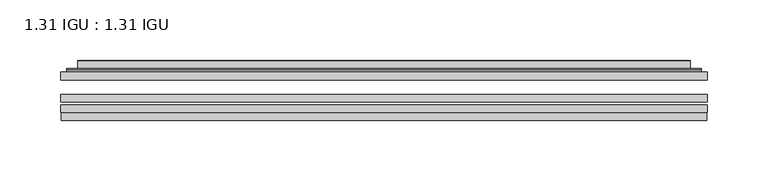
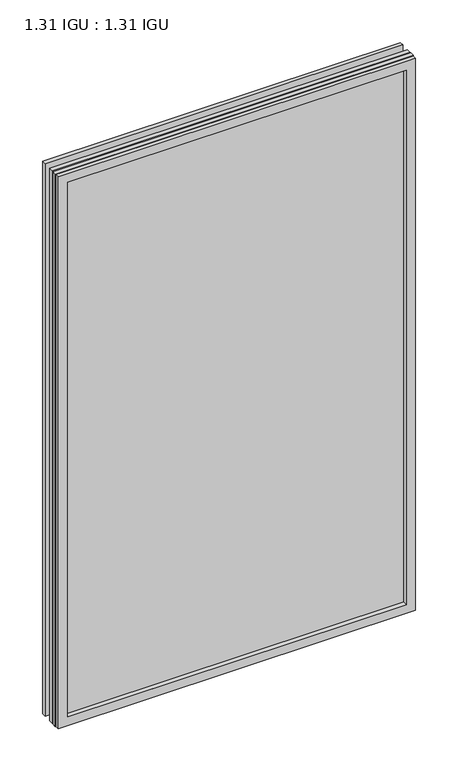
"""IFC4 building model written with IfcOpenShell, lengths in millimetres: plate geometry, 1.31 IGU : 1.31 IGU."""

from ifc_helpers import new_model, si_unit, frame, origin, place, context, project, spatial, polyline, ellipse_curve, outline, extrude, faceted_brep, source, transform, mapped, element, save
from ifc_brep_helpers import plane_surface, cylinder_surface, advanced_brep


def plate_1_31_igu_1_31_igu_b15773dc(model_context):
    return source(origin(), model_context, "Body", "SolidModel", [
        extrude(outline(polyline([(266.7140393, -63.59525), (266.7140393, -69.94525), (-266.6998644, -69.94525), (-266.6998644, -63.59525), (266.7140393, -63.59525)])), frame((0.0, 0.0, -14.2875), z_axis=(0.0, 0.0, 1.0), x_axis=(1.0, 0.0, 0.0)), (0.0, 0.0, 1.0), 869.9537979),
        extrude(outline(polyline([(-266.6998644, -78.58125), (-266.6998644, -72.230745), (266.7140393, -72.230745), (266.7140393, -78.58125), (-266.6998644, -78.58125)])), frame((0.0, 0.0, -14.2875), z_axis=(0.0, 0.0, 1.0), x_axis=(1.0, 0.0, 0.0)), (0.0, 0.0, 1.0), 869.9537979),
        extrude(outline(polyline([(266.7140393, -45.25645), (266.7140393, -51.60645), (-266.6998644, -51.60645), (-266.6998644, -45.25645), (266.7140393, -45.25645)])), frame((0.0, 0.0, -14.2875), z_axis=(0.0, 0.0, 1.0), x_axis=(1.0, 0.0, 0.0)), (0.0, 0.0, 1.0), 869.9537979),
        faceted_brep([(-265.9996786, -84.93125, 854.9623142), (-265.9996786, -78.58125, 854.9623142), (-265.9996786, -78.58125, -13.5873142), (-265.9996786, -84.93125, -13.5873142), (265.9996786, -78.58125, -13.5873142), (265.9996786, -84.93125, -13.5873142), (265.9996786, -78.58125, 854.9623142), (265.9996786, -84.93125, 854.9623142), (-251.5146202, -78.58125, 0.8977441), (251.5146202, -78.58125, 0.8977441), (251.5146202, -78.58125, 840.4772559), (-251.5146202, -78.58125, 840.4772559), (-252.4070545, -84.93125, 841.3696902), (252.4070545, -84.93125, 841.3696902), (252.4070545, -84.93125, 0.0053098), (-252.4070545, -84.93125, 0.0053098)], [[[0, 1, 2, 3]], [[3, 2, 4, 5]], [[5, 4, 6, 7]], [[1, 6, 4, 2], [8, 9, 10, 11]], [[7, 6, 1, 0]], [[3, 5, 7, 0], [12, 13, 14, 15]], [[11, 12, 15, 8]], [[8, 15, 14, 9]], [[9, 14, 13, 10]], [[10, 13, 12, 11]]]),
        advanced_brep(
        [(-259.4585834, -45.25645, 848.4212191), (-261.8127888, -43.2667833, 850.7754244), (-261.8127888, -43.2667833, -9.4004244), (-259.4585834, -45.25645, -7.046219), (-250.3842583, -41.416413, 839.3468939), (-245.4494264, -45.25645, 834.4120621), (-245.4494264, -45.25645, 6.9629379), (-250.3842583, -41.416413, 2.0281061), (-251.416286, -36.0191819, 840.3789217), (-251.416286, -36.0191819, 0.9960783), (-252.4069428, -35.6202069, 841.3695784), (-252.4069428, -35.6202069, 0.0054216), (-252.4069428, -42.08145, 841.3695784), (-252.4069428, -42.08145, 0.0054216), (-260.8109992, -42.08145, 849.7736349), (-260.8109992, -42.08145, -8.3986349), (261.8127888, -43.2667833, -9.4004244), (259.4585834, -45.25645, -7.046219), (245.4494264, -45.25645, 6.9629379), (250.3842583, -41.416413, 2.0281061), (251.416286, -36.0191819, 0.9960783), (252.4069428, -35.6202069, 0.0054216), (252.4069428, -42.08145, 0.0054216), (260.8109992, -42.08145, -8.3986349), (261.8127888, -43.2667833, 850.7754244), (259.4585834, -45.25645, 848.4212191), (245.4494264, -45.25645, 834.4120621), (250.3842583, -41.416413, 839.3468939), (251.416286, -36.0191819, 840.3789217), (252.4069428, -35.6202069, 841.3695784), (252.4069428, -42.08145, 841.3695784), (260.8109992, -42.08145, 849.7736349)],
        [
            (0, 1, ellipse_curve(frame((-259.4585834, -42.86885, 848.4212191), z_axis=(-0.7071067811865475, 0.0, -0.7071067811865475), x_axis=(-0.7071067811865474, 0.0, 0.7071067811865476)), 3.3765763, 2.3876)),
            (1, 2),
            (2, 3, ellipse_curve(frame((-259.4585834, -42.86885, -7.046219), z_axis=(-0.7071067811865475, 0.0, 0.7071067811865475), x_axis=(0.7071067811865474, 0.0, 0.7071067811865476)), 3.3765763, 2.3876)),
            (3, 0),
            (4, 5),
            (5, 6),
            (6, 7),
            (7, 4),
            (8, 4),
            (7, 9),
            (9, 8),
            (10, 8, ellipse_curve(frame((-252.0399862, -36.1384423, 841.0026219), z_axis=(-0.7071067811865475, 0.0, -0.7071067811865475), x_axis=(-0.7071067811865474, 0.0, 0.7071067811865476)), 0.8980256, 0.635)),
            (9, 11, ellipse_curve(frame((-252.0399862, -36.1384423, 0.3723781), z_axis=(-0.7071067811865475, 0.0, 0.7071067811865475), x_axis=(0.7071067811865474, 0.0, 0.7071067811865476)), 0.8980256, 0.635)),
            (11, 10),
            (12, 10),
            (11, 13),
            (13, 12),
            (1, 14, ellipse_curve(frame((-260.8109992, -43.09745, 849.7736349), z_axis=(-0.7071067811865475, 0.0, -0.7071067811865475), x_axis=(-0.7071067811865474, 0.0, 0.7071067811865476)), 1.436841, 1.016)),
            (14, 15),
            (15, 2, ellipse_curve(frame((-260.8109992, -43.09745, -8.3986349), z_axis=(-0.7071067811865475, 0.0, 0.7071067811865475), x_axis=(0.7071067811865474, 0.0, 0.7071067811865476)), 1.436841, 1.016)),
            (2, 16),
            (16, 17, ellipse_curve(frame((259.4585834, -42.86885, -7.046219), z_axis=(-0.7071067811865475, 0.0, -0.7071067811865475), x_axis=(-0.7071067811865476, 0.0, 0.7071067811865474)), 3.3765763, 2.3876)),
            (17, 3),
            (6, 18),
            (18, 19),
            (19, 7),
            (19, 20),
            (20, 9),
            (20, 21, ellipse_curve(frame((252.0399862, -36.1384423, 0.3723781), z_axis=(-0.7071067811865475, 0.0, -0.7071067811865475), x_axis=(-0.7071067811865476, 0.0, 0.7071067811865474)), 0.8980256, 0.635)),
            (21, 11),
            (21, 22),
            (22, 13),
            (15, 23),
            (23, 16, ellipse_curve(frame((260.8109992, -43.09745, -8.3986349), z_axis=(-0.7071067811865475, 0.0, -0.7071067811865475), x_axis=(-0.7071067811865476, 0.0, 0.7071067811865474)), 1.436841, 1.016)),
            (16, 24),
            (24, 25, ellipse_curve(frame((259.4585834, -42.86885, 848.4212191), z_axis=(0.7071067811865475, 0.0, -0.7071067811865475), x_axis=(-0.7071067811865474, 0.0, -0.7071067811865476)), 3.3765763, 2.3876)),
            (25, 17),
            (18, 26),
            (26, 27),
            (27, 19),
            (27, 28),
            (28, 20),
            (28, 29, ellipse_curve(frame((252.0399862, -36.1384423, 841.0026219), z_axis=(0.7071067811865475, 0.0, -0.7071067811865475), x_axis=(-0.7071067811865474, 0.0, -0.7071067811865476)), 0.8980256, 0.635)),
            (29, 21),
            (29, 30),
            (30, 22),
            (23, 31),
            (31, 24, ellipse_curve(frame((260.8109992, -43.09745, 849.7736349), z_axis=(0.7071067811865475, 0.0, -0.7071067811865475), x_axis=(-0.7071067811865474, 0.0, -0.7071067811865476)), 1.436841, 1.016)),
            (24, 1),
            (0, 25),
            (5, 26),
            (4, 27),
            (8, 28),
            (10, 29),
            (12, 30),
            (14, 31),
        ],
        [
            cylinder_surface(frame((-259.4585834, -42.86885, 873.125), z_axis=(0.0, 0.0, 1.0), x_axis=(-1.0, 0.0, 0.0)), 2.3876),
            plane_surface(frame((-245.4494264, -45.25645, 834.4120621), z_axis=(0.6141233906514794, 0.7892100234124821, 0.0), x_axis=(0.0, 0.0, -1.0))),
            plane_surface(frame((-250.3842583, -41.416413, 839.3468939), z_axis=(0.9822050625507729, 0.18781164793386076, 0.0), x_axis=(0.0, 0.0, -1.0))),
            cylinder_surface(frame((-252.0399862, -36.1384423, 873.125), z_axis=(0.0, 0.0, 1.0), x_axis=(-1.0, 0.0, 0.0)), 0.635),
            plane_surface(frame((-252.4069428, -35.6202069, 841.3695784), z_axis=(-1.0, 0.0, 0.0), x_axis=(0.0, 0.0, -1.0))),
            cylinder_surface(frame((-260.8109992, -43.09745, 873.125), z_axis=(0.0, 0.0, 1.0), x_axis=(-1.0, 0.0, 0.0)), 1.016),
            cylinder_surface(frame((-284.1623644, -42.86885, -7.046219), z_axis=(-1.0, 0.0, 0.0), x_axis=(0.0, 0.0, -1.0)), 2.3876),
            plane_surface(frame((-245.4494264, -45.25645, 6.9629379), z_axis=(0.0, 0.7892100234124841, 0.6141233906514768), x_axis=(1.0, 0.0, 0.0))),
            plane_surface(frame((-250.3842583, -41.416413, 2.0281061), z_axis=(0.0, 0.18781164793386393, 0.9822050625507723), x_axis=(1.0, 0.0, 0.0))),
            cylinder_surface(frame((-284.1623644, -36.1384423, 0.3723781), z_axis=(-1.0, 0.0, 0.0), x_axis=(0.0, 0.0, -1.0)), 0.635),
            plane_surface(frame((-252.4069428, -35.6202069, 0.0054216), z_axis=(0.0, 0.0, -1.0), x_axis=(1.0, 0.0, 0.0))),
            cylinder_surface(frame((-284.1623644, -43.09745, -8.3986349), z_axis=(-1.0, 0.0, 0.0), x_axis=(0.0, 0.0, -1.0)), 1.016),
            cylinder_surface(frame((259.4585834, -42.86885, -31.75), z_axis=(0.0, 0.0, -1.0), x_axis=(1.0, 0.0, 0.0)), 2.3876),
            plane_surface(frame((245.4494264, -45.25645, 6.9629379), z_axis=(-0.6141233906514743, 0.7892100234124861, 0.0), x_axis=(0.0, 0.0, 1.0))),
            plane_surface(frame((250.3842583, -41.416413, 2.0281061), z_axis=(-0.9822050625507718, 0.1878116479338671, 0.0), x_axis=(0.0, 0.0, 1.0))),
            cylinder_surface(frame((252.0399862, -36.1384423, -31.75), z_axis=(0.0, 0.0, -1.0), x_axis=(1.0, 0.0, 0.0)), 0.635),
            plane_surface(frame((252.4069428, -35.6202069, 0.0054216), z_axis=(1.0, 0.0, 0.0), x_axis=(0.0, 0.0, 1.0))),
            cylinder_surface(frame((260.8109992, -43.09745, -31.75), z_axis=(0.0, 0.0, -1.0), x_axis=(1.0, 0.0, 0.0)), 1.016),
            cylinder_surface(frame((284.1623644, -42.86885, 848.4212191), z_axis=(1.0, 0.0, 0.0), x_axis=(0.0, 0.0, 1.0)), 2.3876),
            plane_surface(frame((259.4585834, -45.25645, 848.4212191), z_axis=(0.0, -1.0, 0.0), x_axis=(-1.0, 0.0, 0.0))),
            plane_surface(frame((245.4494264, -45.25645, 834.4120621), z_axis=(0.0, 0.7892100234124841, -0.6141233906514768), x_axis=(-1.0, 0.0, 0.0))),
            plane_surface(frame((250.3842583, -41.416413, 839.3468939), z_axis=(0.0, 0.18781164793386393, -0.9822050625507723), x_axis=(-1.0, 0.0, 0.0))),
            cylinder_surface(frame((284.1623644, -36.1384423, 841.0026219), z_axis=(1.0, 0.0, 0.0), x_axis=(0.0, 0.0, 1.0)), 0.635),
            plane_surface(frame((252.4069428, -35.6202069, 841.3695784), z_axis=(0.0, 0.0, 1.0), x_axis=(-1.0, 0.0, 0.0))),
            plane_surface(frame((252.4069428, -42.08145, 841.3695784), z_axis=(0.0, 1.0, 0.0), x_axis=(-1.0, 0.0, 0.0))),
            cylinder_surface(frame((284.1623644, -43.09745, 849.7736349), z_axis=(1.0, 0.0, 0.0), x_axis=(0.0, 0.0, 1.0)), 1.016),
        ],
        [
            (0, [[1, 2, 3, 4]]),
            (1, [[5, 6, 7, 8]]),
            (2, [[9, -8, 10, 11]]),
            (3, [[12, -11, 13, 14]]),
            (4, [[15, -14, 16, 17]]),
            (5, [[18, 19, 20, -2]]),
            (6, [[-3, 21, 22, 23]]),
            (7, [[-7, 24, 25, 26]]),
            (8, [[-10, -26, 27, 28]]),
            (9, [[-13, -28, 29, 30]]),
            (10, [[-16, -30, 31, 32]]),
            (11, [[-20, 33, 34, -21]]),
            (12, [[-22, 35, 36, 37]]),
            (13, [[-25, 38, 39, 40]]),
            (14, [[-27, -40, 41, 42]]),
            (15, [[-29, -42, 43, 44]]),
            (16, [[-31, -44, 45, 46]]),
            (17, [[-34, 47, 48, -35]]),
            (18, [[-36, 49, -1, 50]]),
            (19, [[-23, -37, -50, -4], [51, -38, -24, -6]]),
            (20, [[-39, -51, -5, 52]]),
            (21, [[-41, -52, -9, 53]]),
            (22, [[-43, -53, -12, 54]]),
            (23, [[-45, -54, -15, 55]]),
            (24, [[56, -47, -33, -19], [-32, -46, -55, -17]]),
            (25, [[-48, -56, -18, -49]]),
        ],
    ),
    ])


if __name__ == "__main__":
    model = new_model("IFC4")
    model_context = context("Model", 3, world=origin())
    ifc_project = project(units=[si_unit("LENGTHUNIT", "METRE", prefix="MILLI")], contexts=[model_context])
    site = spatial("IfcSite", under=ifc_project)
    building = spatial("IfcBuilding", under=site)
    placement = place(None, origin())
    plate_1_31_igu_1_31_igu_shape = plate_1_31_igu_1_31_igu_b15773dc(model_context)
    element("IfcPlate", 1, ObjectType="1.31 IGU : 1.31 IGU", at=placement, inside=building, context=model_context, shape_type="MappedRepresentation", body=[
        mapped(plate_1_31_igu_1_31_igu_shape, transform((0.0, 0.0, 0.0), x_axis=(1.0, 0.0, 0.0), y_axis=(0.0, 1.0, 0.0), z_axis=(0.0, 0.0, 1.0))),
    ])
    save(model, "model.ifc")
